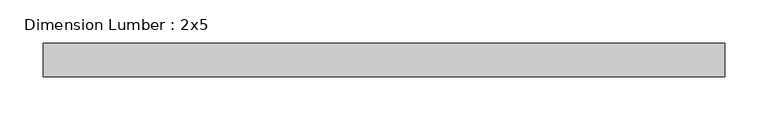
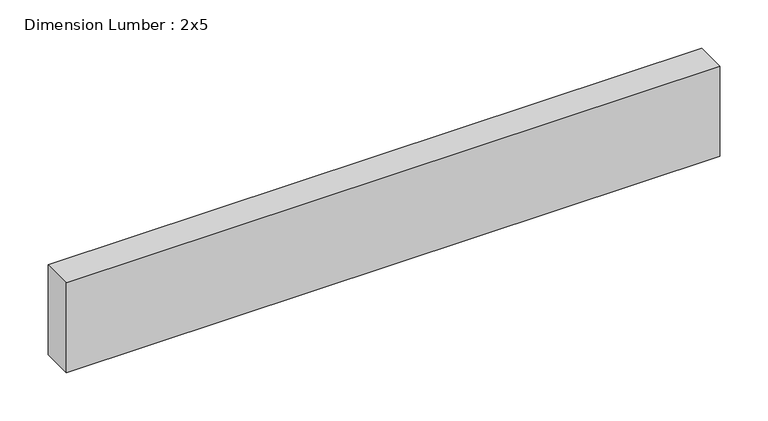
"""IFC4 building model written with IfcOpenShell, lengths in millimetres: beam geometry, Dimension Lumber : 2x5."""

from ifc_helpers import new_model, si_unit, frame, origin, place, context, project, spatial, polyline, outline, extrude, source, transform, mapped, element, save


def dimension_lumber_2x5_e264779d(model_context):
    return source(origin(), model_context, "Body", "SweptSolid", [
        extrude(outline(polyline([(392.0679046, 19.05), (392.0679046, -19.05), (-392.0679046, -19.05), (-392.0679046, 19.05), (392.0679046, 19.05)])), frame((0.0, 0.0, -57.15), z_axis=(0.0, 0.0, 1.0), x_axis=(1.0, 0.0, 0.0)), (0.0, 0.0, 1.0), 114.3),
    ])


if __name__ == "__main__":
    model = new_model("IFC4")
    model_context = context("Model", 3, world=origin())
    ifc_project = project(units=[si_unit("LENGTHUNIT", "METRE", prefix="MILLI")], contexts=[model_context])
    site = spatial("IfcSite", under=ifc_project)
    building = spatial("IfcBuilding", under=site)
    placement = place(None, origin())
    dimension_lumber_2x5_shape = dimension_lumber_2x5_e264779d(model_context)
    element("IfcBeam", 1, ObjectType="Dimension Lumber : 2x5", at=placement, inside=building, context=model_context, shape_type="MappedRepresentation", body=[
        mapped(dimension_lumber_2x5_shape, transform((0.0, 0.0, 0.0), x_axis=(1.0, 0.0, 0.0), y_axis=(0.0, 1.0, 0.0), z_axis=(0.0, 0.0, 1.0))),
    ])
    save(model, "model.ifc")
